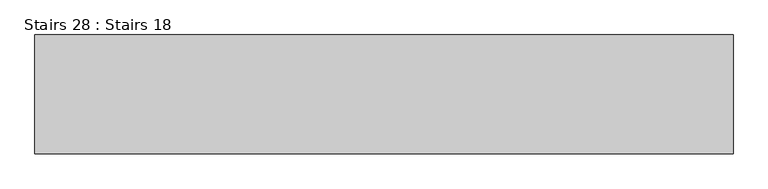
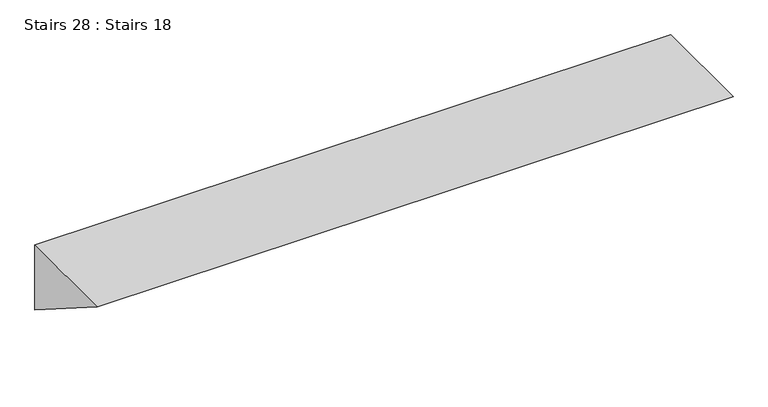
"""IFC4 building model written with IfcOpenShell, lengths in millimetres: stair geometry, Stairs 28 : Stairs 18."""

import ifcopenshell
import ifcopenshell.guid

model = None  # the IFC model being written
_history = None  # IfcOwnerHistory: only IFC2X3 demands one
_inside = {}  # id of a spatial element -> (the spatial element, [elements in it])
_under = {}  # id of a project, library or spatial element -> (it, [spatial elements below it])
_declared = {}  # id of a project -> (the project, [libraries it declares])
_typed = {}  # id of a type object -> (the type object, [elements of that type])
_made_of = {}  # id of a material, layer set ... -> (it, [elements and type objects made of it])


def new_model(schema):
    """Start an empty IFC model of exactly this schema.

    Asked for "IFC4X3", IfcOpenShell would pick the latest addendum, in which some entities
    have other attributes; the version numbers below select the first issue.
    IFC2X3 requires an IfcOwnerHistory on every rooted entity: one is made here for all.
    """
    global model, _history
    if schema == "IFC4X3":
        model = ifcopenshell.file(schema_version=(4, 3, 0, 0))
    else:
        model = ifcopenshell.file(schema=schema)
    _inside.clear()
    _under.clear()
    _declared.clear()
    _typed.clear()
    _made_of.clear()
    _history = None
    if model.schema == "IFC2X3":
        org = make("IfcOrganization", Name="unknown")
        user = make(
            "IfcPersonAndOrganization",
            ThePerson=make("IfcPerson", FamilyName="unknown"),
            TheOrganization=org,
        )
        app = make(
            "IfcApplication",
            ApplicationDeveloper=org,
            Version="unknown",
            ApplicationFullName="unknown",
            ApplicationIdentifier="unknown",
        )
        _history = make(
            "IfcOwnerHistory",
            OwningUser=user,
            OwningApplication=app,
            ChangeAction="ADDED",
            CreationDate=0,
        )
    return model


def make(cls, **values):
    """One entity of the class cls with the attributes given. An attribute that is None is left unset."""
    return model.create_entity(
        cls, **{name: value for name, value in values.items() if value is not None}
    )


def rooted(cls, **values):
    """An entity with a GlobalId (a new one), such as an element, a storey or a relation."""
    return make(cls, GlobalId=ifcopenshell.guid.new(), OwnerHistory=_history, **values)


def si_unit(unit_type, name, prefix=None):
    """IfcSIUnit, for example si_unit("LENGTHUNIT", "METRE", prefix="MILLI")."""
    return make("IfcSIUnit", UnitType=unit_type, Prefix=prefix, Name=name)


def assignment(units):
    """IfcUnitAssignment: the units of a project."""
    return None if units is None else make("IfcUnitAssignment", Units=units)


def point(xyz):
    """IfcCartesianPoint."""
    return None if xyz is None else make("IfcCartesianPoint", Coordinates=xyz)


def direction(xyz):
    """IfcDirection."""
    return None if xyz is None else make("IfcDirection", DirectionRatios=xyz)


def frame(location, z_axis=None, x_axis=None):
    """IfcAxis2Placement3D, a coordinate frame: its origin and axes. An axis left out is left unset."""
    return make(
        "IfcAxis2Placement3D",
        Location=point(location),
        Axis=direction(z_axis),
        RefDirection=direction(x_axis),
    )


def origin():
    """The frame at (0, 0, 0) with its axes left unset."""
    return frame((0.0, 0.0, 0.0))


def place(relative_to, where):
    """IfcLocalPlacement: puts the frame where relative to a parent placement (None: the world)."""
    return make(
        "IfcLocalPlacement", PlacementRelTo=relative_to, RelativePlacement=where
    )


def context(
    kind, dimensions, precision=None, world=None, true_north=None, identifier=None
):
    """IfcGeometricRepresentationContext, for example the 3D "Model" context."""
    return make(
        "IfcGeometricRepresentationContext",
        ContextIdentifier=identifier,
        ContextType=kind,
        CoordinateSpaceDimension=dimensions,
        Precision=precision,
        WorldCoordinateSystem=world,
        TrueNorth=true_north,
    )


def project(units=None, contexts=None):
    """IfcProject with its units and contexts."""
    return rooted(
        "IfcProject",
        Name="project",
        RepresentationContexts=contexts,
        UnitsInContext=assignment(units),
    )


def spatial(cls, under=None, at=None, **own):
    """A site, building, storey or space (cls), placed at a placement, below another one or the project."""
    s = rooted(cls, ObjectPlacement=at, **own)
    if under is not None:
        _under.setdefault(under.id(), (under, []))[1].append(s)
    return s


def polyline(points):
    """IfcPolyline through the points."""
    return make("IfcPolyline", Points=[point(p) for p in points])


def outline(outer, holes=None, kind="AREA"):
    """IfcArbitraryClosedProfileDef: a profile drawn as a closed curve; with holes, ...WithVoids."""
    if holes is None:
        return make("IfcArbitraryClosedProfileDef", ProfileType=kind, OuterCurve=outer)
    return make(
        "IfcArbitraryProfileDefWithVoids",
        ProfileType=kind,
        OuterCurve=outer,
        InnerCurves=holes,
    )


def extrude(swept, where, along, depth):
    """IfcExtrudedAreaSolid: the profile swept, set in the frame where, extruded along a direction by depth."""
    return make(
        "IfcExtrudedAreaSolid",
        SweptArea=swept,
        Position=where,
        ExtrudedDirection=direction(along),
        Depth=depth,
    )


def shape(context_of_items, identifier, shape_type, items):
    """IfcShapeRepresentation: the items that make up one representation, for example the "Body"."""
    return make(
        "IfcShapeRepresentation",
        ContextOfItems=context_of_items,
        RepresentationIdentifier=identifier,
        RepresentationType=shape_type,
        Items=items,
    )


def source(mapping_origin, context_of_items, identifier, shape_type, items):
    """IfcRepresentationMap: a shape defined once, which mapped items show again and again."""
    return make(
        "IfcRepresentationMap",
        MappingOrigin=mapping_origin,
        MappedRepresentation=shape(context_of_items, identifier, shape_type, items),
    )


def transform(
    local_origin,
    x_axis=None,
    y_axis=None,
    z_axis=None,
    scale=None,
    scale2=None,
    scale3=None,
    uniform=True,
):
    """IfcCartesianTransformationOperator3D, or its non-uniform kind. x_axis, y_axis, z_axis: its Axis1, 2, 3."""
    if uniform:
        return make(
            "IfcCartesianTransformationOperator3D",
            Axis1=direction(x_axis),
            Axis2=direction(y_axis),
            LocalOrigin=point(local_origin),
            Scale=scale,
            Axis3=direction(z_axis),
        )
    return make(
        "IfcCartesianTransformationOperator3DnonUniform",
        Axis1=direction(x_axis),
        Axis2=direction(y_axis),
        LocalOrigin=point(local_origin),
        Scale=scale,
        Axis3=direction(z_axis),
        Scale2=scale2,
        Scale3=scale3,
    )


def mapped(mapping_source, mapping_target):
    """IfcMappedItem: shows the shape of a source again, moved by a transform."""
    return make(
        "IfcMappedItem", MappingSource=mapping_source, MappingTarget=mapping_target
    )


def made_of(thing, what):
    """Note that an element or type object is made of a material, layer set ...; save() writes the relation."""
    if what is not None:
        _made_of.setdefault(what.id(), (what, []))[1].append(thing)
    return thing


def element(
    cls,
    number,
    at=None,
    inside=None,
    cuts=None,
    type_object=None,
    material=None,
    context=None,
    identifier="Body",
    shape_type=None,
    held_by="IfcProductDefinitionShape",
    body=None,
    shapes=None,
    **own,
):
    """One element of the class cls, such as IfcWall. Its Tag is "e" and its number.

    at: its placement. inside: the storey or other place that contains it. cuts: it is an
    opening in that element (IfcRelVoidsElement). A single representation is given by context,
    identifier, shape_type and body (its items); several are given by shapes. held_by: the class
    of the entity that holds the representations. save() writes the other relations.
    """
    e = rooted(cls, Tag="e%d" % number, ObjectPlacement=at, **own)
    if body is not None:
        shapes = [shape(context, identifier, shape_type, body)]
    if shapes is not None:
        e.Representation = make(held_by, Representations=shapes)
    if inside is not None:
        _inside.setdefault(inside.id(), (inside, []))[1].append(e)
    if cuts is not None:
        rooted(
            "IfcRelVoidsElement", RelatingBuildingElement=cuts, RelatedOpeningElement=e
        )
    if type_object is not None:
        _typed.setdefault(type_object.id(), (type_object, []))[1].append(e)
    return made_of(e, material)


def aggregate(whole, parts):
    """IfcRelAggregates: a whole, such as a stair, and the parts it consists of."""
    return rooted("IfcRelAggregates", RelatingObject=whole, RelatedObjects=parts)


def save(model, path):
    """Write the relations noted so far, then the file.

    IfcRelAggregates (storeys below a building ...), IfcRelContainedInSpatialStructure (elements
    in a storey), IfcRelDefinesByType, IfcRelAssociatesMaterial and IfcRelDeclares: one each for
    every whole, place, type object, material and project.
    """
    for whole, parts in _under.values():
        aggregate(whole, parts)
    for where, things in _inside.values():
        rooted(
            "IfcRelContainedInSpatialStructure",
            RelatedElements=things,
            RelatingStructure=where,
        )
    for kind, things in _typed.values():
        rooted("IfcRelDefinesByType", RelatedObjects=things, RelatingType=kind)
    for what, things in _made_of.values():
        rooted("IfcRelAssociatesMaterial", RelatedObjects=things, RelatingMaterial=what)
    for by, libraries in _declared.values():
        rooted("IfcRelDeclares", RelatingContext=by, RelatedDefinitions=libraries)
    model.write(path)


def stairs_28_stairs_18_cfd528c6(model_context):
    return source(origin(), model_context, "Body", "SweptSolid", [
        extrude(outline(polyline([(-6184.0672499, -485.0757576), (-6184.0672499, -638.8645914), (-6427.3906788, -485.0757576), (-6184.0672499, -485.0757576)])), frame((-30695.6912908, 0.0, 0.0), z_axis=(1.0, 0.0, 0.0), x_axis=(0.0, 1.0, 0.0)), (0.0, 0.0, 1.0), 1430.0),
    ])


if __name__ == "__main__":
    model = new_model("IFC4")
    model_context = context("Model", 3, world=origin())
    ifc_project = project(units=[si_unit("LENGTHUNIT", "METRE", prefix="MILLI")], contexts=[model_context])
    site = spatial("IfcSite", under=ifc_project)
    building = spatial("IfcBuilding", under=site)
    placement = place(None, origin())
    stairs_28_stairs_18_shape = stairs_28_stairs_18_cfd528c6(model_context)
    element("IfcStair", 1, ObjectType="Stairs 28 : Stairs 18", at=placement, inside=building, context=model_context, shape_type="MappedRepresentation", body=[
        mapped(stairs_28_stairs_18_shape, transform((0.0, 0.0, 0.0), x_axis=(1.0, 0.0, 0.0), y_axis=(0.0, 1.0, 0.0), z_axis=(0.0, 0.0, 1.0))),
    ])
    save(model, "model.ifc")
